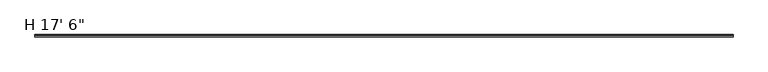
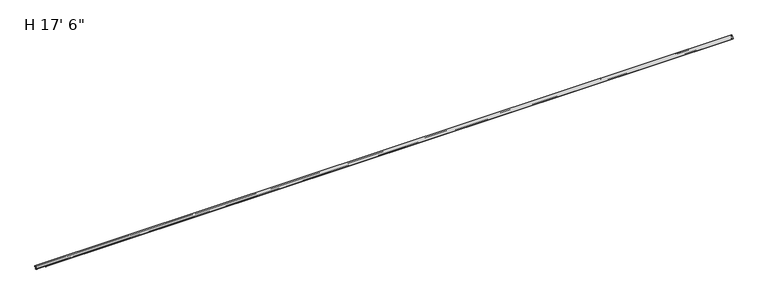
"""IFC4 building model written with IfcOpenShell, lengths in millimetres: proxy geometry."""

from ifc_helpers import new_model, si_unit, frame, origin, place, context, project, spatial, polyline, circle_curve, source, transform, mapped, element, save
from ifc_brep_helpers import plane_surface, cylinder_surface, revolved_surface, advanced_brep


def proxy_0ea76a47(model_context):
    return source(origin(), model_context, "Body", "AdvancedBrep", [
        advanced_brep(
        [(5334.0, -6.1091347, 0.0), (5334.0, -5.5808077, 0.6581076), (5334.0, -5.9684988, 1.3575208), (5334.0, -5.6321023, 2.0789255), (5334.0, -5.9631778, 2.7889192), (5334.0, -5.6042879, 3.5585611), (5334.0, -5.934397, 4.2664822), (5334.0, -5.5944321, 4.9955392), (5334.0, -5.9294957, 5.7140853), (5334.0, -5.5991801, 6.4224493), (5334.0, -6.0051261, 7.0980568), (5334.0, -5.5986989, 7.8345551), (5334.0, -5.9337229, 8.5870312), (5334.0, -5.5657997, 9.2789941), (5334.0, -5.8977295, 9.99082), (5334.0, -5.8977295, 11.6146251), (5334.0, -9.839437, 13.1679138), (5334.0, -15.5679403, 13.1679138), (5334.0, -17.1246029, 15.066794), (5334.0, -7.4661878, 27.7784225), (5334.0, -5.8563298, 26.7830356), (5334.0, -5.8563298, 25.172294), (5334.0, -5.0436174, 24.3595817), (5334.0, -4.2974045, 24.8820856), (5334.0, -4.5167099, 25.7005446), (5334.0, -4.2880317, 26.4591036), (5334.0, -4.4923475, 27.2216207), (5334.0, -4.1978841, 28.1090541), (5334.0, -4.3677301, 28.8744451), (5334.0, -1.6524001, 28.7826392), (5334.0, -1.8415, 27.7102004), (5334.0, -1.5875, 26.7622595), (5334.0, -1.8599178, 25.8586097), (5334.0, -1.5946294, 24.3595817), (5334.0, -0.79502, 24.2755393), (5334.0, 0.0, 25.0705593), (5334.0, -0.254, 26.5058012), (5334.0, 0.0, 27.3483563), (5334.0, -0.254, 28.2962972), (5334.0, 0.0, 29.1388523), (5334.0, 0.0, 31.2551692), (5334.0, -19.05, 11.5804138), (5334.0, -15.6652194, 11.5804138), (5334.0, -12.4902194, 11.5804138), (5334.0, -11.1161473, 11.5804138), (5334.0, -9.525, 9.9931404), (5334.0, -7.9721145, 9.9931404), (5334.0, -8.1699585, 9.0623577), (5334.0, -7.9490433, 8.2919351), (5334.0, -8.1398857, 7.5265082), (5334.0, -7.972318, 6.7214745), (5334.0, -8.1655958, 5.9462793), (5334.0, -7.9834986, 5.0714427), (5334.0, -8.1776372, 4.2927955), (5334.0, -7.9880038, 3.3817532), (5334.0, -8.1786509, 2.4848291), (5334.0, -7.9862027, 1.6851507), (5334.0, -8.1553262, 0.8894873), (5334.0, -7.8893268, 0.0060645), (0.0, -5.8977295, 9.9931404), (0.0, -9.525, 9.9931404), (0.0, -11.1161473, 11.5804138), (0.0, -12.4902194, 11.5804138), (0.0, -15.6652194, 11.5804138), (0.0, -19.05, 11.5804138), (0.0, 0.0, 31.2551692), (0.0, 0.0, 29.1388523), (0.0, -0.254, 28.2962972), (0.0, 0.0, 27.3483563), (0.0, -0.254, 26.5058012), (0.0, 0.0, 25.0705593), (0.0, -0.79502, 24.2755393), (0.0, -1.5946294, 24.3595817), (0.0, -1.8599178, 25.8586097), (0.0, -1.5875, 26.7622595), (0.0, -1.8415, 27.7102004), (0.0, -1.6524001, 28.7826392), (0.0, -4.3677301, 28.8744451), (0.0, -4.1978841, 28.1090541), (0.0, -4.4923475, 27.2216207), (0.0, -4.2880317, 26.4591036), (0.0, -4.5167099, 25.7005446), (0.0, -4.2974045, 24.8820856), (0.0, -5.0436174, 24.3595817), (0.0, -5.8563298, 25.172294), (0.0, -5.8563298, 26.7830356), (0.0, -7.4661878, 27.7784225), (0.0, -17.1246029, 15.066794), (0.0, -15.5679403, 13.1679138), (0.0, -9.839437, 13.1679138), (0.0, -5.8977295, 11.6146251), (76.1871679, -5.934397, 4.2664822), (76.1871679, -5.5944321, 4.9955392), (76.1871679, -5.9294957, 5.7140853), (76.1871679, -5.5991801, 6.4224493), (76.1871679, -6.0051261, 7.0980568), (76.1871679, -5.9337229, 8.5870312), (76.1871679, -5.5657997, 9.2789941), (76.1871679, -5.8977295, 9.99082), (76.1871679, -7.9721145, 9.9931404), (76.1871679, -8.1699585, 9.0623577), (76.1871679, -7.8893268, 0.0060645), (76.1871679, -6.1091347, 0.0), (76.1871679, -5.5808077, 0.6581076), (76.1871679, -5.9684988, 1.3575208), (76.1871679, -5.6321023, 2.0789255), (76.1871679, -5.9631778, 2.7889192), (76.1871679, -5.6042879, 3.5585611), (76.1871679, -5.5986989, 7.8345551), (76.1871679, -7.9490433, 8.2919351), (76.1871679, -8.1398857, 7.5265082), (76.1871679, -7.972318, 6.7214745), (76.1871679, -8.1655958, 5.9462793), (76.1871679, -7.9834986, 5.0714427), (76.1871679, -8.1776372, 4.2927955), (76.1871679, -7.9880038, 3.3817532), (76.1871679, -8.1786509, 2.4848291), (76.1871679, -7.9862027, 1.6851507), (76.1871679, -8.1553262, 0.8894873)],
        [
            (0, 1),
            (1, 2),
            (2, 3),
            (3, 4),
            (4, 5),
            (5, 6),
            (6, 7),
            (7, 8),
            (8, 9),
            (9, 10),
            (10, 11),
            (11, 12),
            (12, 13),
            (13, 14),
            (14, 15),
            (15, 16),
            (16, 17),
            (17, 18, circle_curve(frame((5334.0, -15.5679403, 14.7554138), z_axis=(-1.0, 0.0, 0.0), x_axis=(0.0, 1.0, 0.0)), 1.5875)),
            (18, 19, circle_curve(frame((5334.0, 0.6044452, 11.6211879), z_axis=(-1.0, 0.0, 0.0), x_axis=(0.0, 1.0, 0.0)), 18.0607682)),
            (19, 20, circle_curve(frame((5334.0, -6.9689863, 26.7830356), z_axis=(-1.0, 0.0, 0.0), x_axis=(0.0, 1.0, 0.0)), 1.1126565)),
            (20, 21),
            (21, 22, circle_curve(frame((5334.0, -5.0436174, 25.172294), z_axis=(1.0, 0.0, 0.0), x_axis=(0.0, 1.0, 0.0)), 0.8127124)),
            (22, 23),
            (23, 24),
            (24, 25),
            (25, 26),
            (26, 27),
            (27, 28),
            (28, 29, circle_curve(frame((5334.0, -3.1115, 25.8284159), z_axis=(-1.0, 0.0, 0.0), x_axis=(0.0, 1.0, 0.0)), 3.2949063)),
            (29, 30),
            (30, 31),
            (31, 32),
            (32, 33),
            (33, 34),
            (34, 35, circle_curve(frame((5334.0, -0.79502, 25.0705593), z_axis=(1.0, 0.0, 0.0), x_axis=(0.0, 1.0, 0.0)), 0.79502)),
            (35, 36),
            (36, 37),
            (37, 38),
            (38, 39),
            (39, 40),
            (40, 41, circle_curve(frame((5334.0, 0.635, 11.5804138), z_axis=(1.0, 0.0, 0.0), x_axis=(0.0, 1.0, 0.0)), 19.685)),
            (41, 42),
            (42, 43, circle_curve(frame((5334.0, -14.0777194, 11.5804138), z_axis=(1.0, 0.0, 0.0), x_axis=(0.0, 1.0, 0.0)), 1.5875)),
            (43, 44),
            (44, 45, circle_curve(frame((5334.0, -11.1161473, 9.9892618), z_axis=(-1.0, 0.0, 0.0), x_axis=(0.0, 1.0, 0.0)), 1.591152)),
            (45, 46),
            (46, 47),
            (47, 48),
            (48, 49),
            (49, 50),
            (50, 51),
            (51, 52),
            (52, 53),
            (53, 54),
            (54, 55),
            (55, 56),
            (56, 57),
            (57, 58),
            (58, 0, circle_curve(frame((5334.0, -7.0030343, -1.113481), z_axis=(-1.0, 0.0, 0.0), x_axis=(0.0, 1.0, 0.0)), 1.4278993)),
            (59, 60),
            (60, 61, circle_curve(frame((0.0, -11.1161473, 9.9892618), z_axis=(1.0, 0.0, 0.0), x_axis=(0.0, 1.0, 0.0)), 1.591152)),
            (61, 62),
            (62, 63, circle_curve(frame((0.0, -14.0777194, 11.5804138), z_axis=(-1.0, 0.0, 0.0), x_axis=(0.0, 1.0, 0.0)), 1.5875)),
            (63, 64),
            (64, 65, circle_curve(frame((0.0, 0.635, 11.5804138), z_axis=(-1.0, 0.0, 0.0), x_axis=(0.0, 1.0, 0.0)), 19.685)),
            (65, 66),
            (66, 67),
            (67, 68),
            (68, 69),
            (69, 70),
            (70, 71, circle_curve(frame((0.0, -0.79502, 25.0705593), z_axis=(-1.0, 0.0, 0.0), x_axis=(0.0, 1.0, 0.0)), 0.79502)),
            (71, 72),
            (72, 73),
            (73, 74),
            (74, 75),
            (75, 76),
            (76, 77, circle_curve(frame((0.0, -3.1115, 25.8284159), z_axis=(1.0, 0.0, 0.0), x_axis=(0.0, 1.0, 0.0)), 3.2949063)),
            (77, 78),
            (78, 79),
            (79, 80),
            (80, 81),
            (81, 82),
            (82, 83),
            (83, 84, circle_curve(frame((0.0, -5.0436174, 25.172294), z_axis=(-1.0, 0.0, 0.0), x_axis=(0.0, 1.0, 0.0)), 0.8127124)),
            (84, 85),
            (85, 86, circle_curve(frame((0.0, -6.9689863, 26.7830356), z_axis=(1.0, 0.0, 0.0), x_axis=(0.0, 1.0, 0.0)), 1.1126565)),
            (86, 87, circle_curve(frame((0.0, 0.6044452, 11.6211879), z_axis=(1.0, 0.0, 0.0), x_axis=(0.0, 1.0, 0.0)), 18.0607682)),
            (87, 88, circle_curve(frame((0.0, -15.5679403, 14.7554138), z_axis=(1.0, 0.0, 0.0), x_axis=(0.0, 1.0, 0.0)), 1.5875)),
            (88, 89),
            (89, 90),
            (90, 59),
            (6, 91),
            (91, 92),
            (92, 7),
            (92, 93),
            (93, 8),
            (93, 94),
            (94, 9),
            (94, 95),
            (95, 10),
            (12, 96),
            (96, 97),
            (97, 13),
            (97, 98),
            (98, 14),
            (98, 59),
            (90, 15),
            (89, 16),
            (88, 17),
            (87, 18),
            (86, 19),
            (20, 85),
            (84, 21),
            (23, 82),
            (81, 24),
            (80, 25),
            (79, 26),
            (78, 27),
            (77, 28),
            (76, 29),
            (75, 30),
            (74, 31),
            (73, 32),
            (72, 33),
            (71, 34),
            (70, 35),
            (69, 36),
            (68, 37),
            (67, 38),
            (66, 39),
            (40, 65),
            (64, 41),
            (63, 42),
            (62, 43),
            (61, 44),
            (60, 45),
            (98, 99),
            (99, 46),
            (99, 100),
            (100, 47),
            (58, 101),
            (101, 102, circle_curve(frame((76.1871679, -7.0030343, -1.113481), z_axis=(-1.0, 0.0, 0.0), x_axis=(0.0, 1.0, 0.0)), 1.4278993)),
            (102, 0),
            (102, 103),
            (103, 1),
            (103, 104),
            (104, 2),
            (104, 105),
            (105, 3),
            (105, 106),
            (106, 4),
            (106, 107),
            (107, 5),
            (107, 91),
            (95, 108),
            (108, 11),
            (108, 96),
            (83, 22),
            (100, 109),
            (109, 48),
            (109, 110),
            (110, 49),
            (110, 111),
            (111, 50),
            (111, 112),
            (112, 51),
            (112, 113),
            (113, 52),
            (113, 114),
            (114, 53),
            (114, 115),
            (115, 54),
            (115, 116),
            (116, 55),
            (116, 117),
            (117, 56),
            (117, 118),
            (118, 57),
            (118, 101),
        ],
        [
            plane_surface(frame((5334.0, -5.5808077, 0.6581076), z_axis=(1.0000000000000002, 0.0, 0.0), x_axis=(0.0, 0.6260242498799778, 0.7798035897341146))),
            plane_surface(frame((0.0, -5.5808077, 0.6581076), z_axis=(-1.0000000000000002, 0.0, 0.0), x_axis=(0.0, -0.6260242498799778, -0.7798035897341146))),
            plane_surface(frame((5334.0, -5.934397, 4.2664822), z_axis=(0.0, 0.9063077870366465, -0.42261826174070694), x_axis=(-1.0, 0.0, 0.0))),
            plane_surface(frame((5334.0, -5.5944321, 4.9955392), z_axis=(0.0, 0.9063077870366515, 0.4226182617406963), x_axis=(-1.0, 0.0, 0.0))),
            plane_surface(frame((5334.0, -5.9294957, 5.7140853), z_axis=(0.0, 0.9063077870366508, -0.4226182617406977), x_axis=(-1.0, 0.0, 0.0))),
            plane_surface(frame((5334.0, -5.5991801, 6.4224493), z_axis=(0.0, 0.8571673007021131, 0.5150380749100528), x_axis=(-1.0, 0.0, 0.0))),
            plane_surface(frame((5334.0, -5.9337229, 8.5870312), z_axis=(0.0, 0.8829475928589267, -0.46947156278589147), x_axis=(-1.0, 0.0, 0.0))),
            plane_surface(frame((5334.0, -5.5657997, 9.2789941), z_axis=(0.0, 0.9063077870366529, 0.4226182617406933), x_axis=(-1.0, 0.0, 0.0))),
            plane_surface(frame((5334.0, -5.8977295, 9.99082), z_axis=(0.0, 1.0, 0.0), x_axis=(-1.0, 0.0, 0.0))),
            plane_surface(frame((5334.0, -5.8977295, 11.6146251), z_axis=(0.0, 0.36662562361540696, 0.9303685571366941), x_axis=(-1.0, 0.0, 0.0))),
            plane_surface(frame((5334.0, -9.839437, 13.1679138), z_axis=(0.0, 0.0, 1.0), x_axis=(-1.0, 0.0, 0.0))),
            revolved_surface(polyline([(0.0, -13.9804403, 14.7554138), (5334.0, -13.9804403, 14.7554138)]), (0.0, -15.5679403, 14.7554138), (-1.0, 0.0, 0.0)),
            revolved_surface(polyline([(0.0, 18.6652134, 11.6211879), (5334.0, 18.6652134, 11.6211879)]), (0.0, 0.6044452, 11.6211879), (-1.0, 0.0, 0.0)),
            plane_surface(frame((5334.0, -5.8563298, 26.7830356), z_axis=(0.0, -1.0, 0.0), x_axis=(-1.0, 0.0, 0.0))),
            plane_surface(frame((5334.0, -4.2974045, 24.8820856), z_axis=(0.0, 0.9659258262890702, 0.2588190451025134), x_axis=(-1.0, 0.0, 0.0))),
            plane_surface(frame((5334.0, -4.5167099, 25.7005446), z_axis=(0.0, 0.9574396445559225, -0.2886335514673039), x_axis=(-1.0, 0.0, 0.0))),
            plane_surface(frame((5334.0, -4.2880317, 26.4591036), z_axis=(0.0, 0.9659258262890718, 0.2588190451025078), x_axis=(-1.0, 0.0, 0.0))),
            plane_surface(frame((5334.0, -4.4923475, 27.2216207), z_axis=(0.0, 0.9491148332111741, -0.3149302039794297), x_axis=(-1.0, 0.0, 0.0))),
            plane_surface(frame((5334.0, -4.1978841, 28.1090541), z_axis=(0.0, 0.9762520959875624, 0.21663758925886215), x_axis=(-1.0, 0.0, 0.0))),
            revolved_surface(polyline([(0.0, 0.18340630000000013, 25.8284159), (5334.0, 0.18340630000000013, 25.8284159)]), (0.0, -3.1115, 25.8284159), (-1.0, 0.0, 0.0)),
            plane_surface(frame((5334.0, -1.6524001, 28.7826392), z_axis=(0.0, -0.984807753012206, 0.17364817766694204), x_axis=(-1.0, 0.0, 0.0))),
            plane_surface(frame((5334.0, -1.8415, 27.7102004), z_axis=(0.0, -0.9659258262890714, -0.25881904510250936), x_axis=(-1.0, 0.0, 0.0))),
            plane_surface(frame((5334.0, -1.5875, 26.7622595), z_axis=(0.0, -0.9574396445559225, 0.2886335514673043), x_axis=(-1.0, 0.0, 0.0))),
            plane_surface(frame((5334.0, -1.8599178, 25.8586097), z_axis=(0.0, -0.9846986628832953, -0.1742657261651023), x_axis=(-1.0, 0.0, 0.0))),
            plane_surface(frame((5334.0, -1.5946294, 24.3595817), z_axis=(0.0, -0.10452846326766971, -0.9945218953682717), x_axis=(-1.0, 0.0, 0.0))),
            cylinder_surface(frame((0.0, -0.79502, 25.0705593), z_axis=(1.0, 0.0, 0.0), x_axis=(0.0, 1.0, 0.0)), 0.79502),
            plane_surface(frame((5334.0, 0.0, 25.0705593), z_axis=(0.0, 0.9846986628832959, 0.17426572616509906), x_axis=(-1.0, 0.0, 0.0))),
            plane_surface(frame((5334.0, -0.254, 26.5058012), z_axis=(0.0, 0.9574396445559225, -0.2886335514673044), x_axis=(-1.0, 0.0, 0.0))),
            plane_surface(frame((5334.0, 0.0, 27.3483563), z_axis=(0.0, 0.9659258262890709, 0.2588190451025113), x_axis=(-1.0, 0.0, 0.0))),
            plane_surface(frame((5334.0, -0.254, 28.2962972), z_axis=(0.0, 0.9574396445559225, -0.28863355146730413), x_axis=(-1.0, 0.0, 0.0))),
            cylinder_surface(frame((0.0, 0.635, 11.5804138), z_axis=(1.0, 0.0, 0.0), x_axis=(0.0, 1.0, 0.0)), 19.685),
            plane_surface(frame((5334.0, -19.05, 11.5804138), z_axis=(0.0, 0.0, -1.0), x_axis=(-1.0, 0.0, 0.0))),
            cylinder_surface(frame((0.0, -14.0777194, 11.5804138), z_axis=(1.0, 0.0, 0.0), x_axis=(0.0, 1.0, 0.0)), 1.5875),
            plane_surface(frame((5334.0, -12.4902194, 11.5804138), z_axis=(0.0, 0.0, -1.0), x_axis=(-1.0, 0.0, 0.0))),
            revolved_surface(polyline([(0.0, -9.5249953, 9.9892618), (5334.0, -9.5249953, 9.9892618)]), (0.0, -11.1161473, 9.9892618), (-1.0, 0.0, 0.0)),
            plane_surface(frame((5334.0, -9.525, 9.9931404), z_axis=(0.0, 0.0, -1.0), x_axis=(-1.0, 0.0, 0.0))),
            plane_surface(frame((5334.0, -7.9721145, 9.9931404), z_axis=(0.0, -0.9781476007338079, 0.20791169081774855), x_axis=(-1.0, 0.0, 0.0))),
            revolved_surface(polyline([(76.1871679, -5.575135, -1.113481), (5334.0, -5.575135, -1.113481)]), (0.0, -7.0030343, -1.113481), (-1.0, 0.0, 0.0)),
            plane_surface(frame((5334.0, -6.1091347, 0.0), z_axis=(0.0, 0.7798035897341146, -0.6260242498799778), x_axis=(-1.0, 0.0, 0.0))),
            plane_surface(frame((5334.0, -5.5808077, 0.6581076), z_axis=(0.0, 0.8746197071393965, 0.48480962024633595), x_axis=(-1.0, 0.0, 0.0))),
            plane_surface(frame((5334.0, -5.9684988, 1.3575208), z_axis=(0.0, 0.9063077870366533, -0.42261826174069256), x_axis=(-1.0, 0.0, 0.0))),
            plane_surface(frame((5334.0, -5.6321023, 2.0789255), z_axis=(0.0, 0.906307787036651, 0.42261826174069705), x_axis=(-1.0, 0.0, 0.0))),
            plane_surface(frame((5334.0, -5.9631778, 2.7889192), z_axis=(0.0, 0.9063077870366465, -0.42261826174070694), x_axis=(-1.0, 0.0, 0.0))),
            plane_surface(frame((5334.0, -5.6042879, 3.5585611), z_axis=(0.0, 0.9063077870366536, 0.42261826174069156), x_axis=(-1.0, 0.0, 0.0))),
            plane_surface(frame((5334.0, -6.0051261, 7.0980568), z_axis=(0.0, 0.8755358100350447, -0.4831532317456631), x_axis=(-1.0, 0.0, 0.0))),
            plane_surface(frame((5334.0, -5.5986989, 7.8345551), z_axis=(0.0, 0.9135454576426015, 0.40673664307579893), x_axis=(-1.0, 0.0, 0.0))),
            revolved_surface(polyline([(0.0, -5.8563298, 26.7830356), (5334.0, -5.8563298, 26.7830356)]), (0.0, -6.9689863, 26.7830356), (-1.0, 0.0, 0.0)),
            cylinder_surface(frame((0.0, -5.0436174, 25.172294), z_axis=(1.0, 0.0, 0.0), x_axis=(0.0, 1.0, 0.0)), 0.8127124),
            plane_surface(frame((5334.0, -5.0436174, 24.3595817), z_axis=(0.0, 0.573576436351044, -0.8191520442889934), x_axis=(-1.0, 0.0, 0.0))),
            plane_surface(frame((5334.0, 0.0, 29.1388523), z_axis=(0.0, 1.0, 0.0), x_axis=(-1.0, 0.0, 0.0))),
            plane_surface(frame((5334.0, -8.1699585, 9.0623577), z_axis=(0.0, -0.9612616959383202, -0.27563735581699483), x_axis=(-1.0, 0.0, 0.0))),
            plane_surface(frame((5334.0, -7.9490433, 8.2919351), z_axis=(0.0, -0.9702957262759958, 0.24192189559967106), x_axis=(-1.0, 0.0, 0.0))),
            plane_surface(frame((5334.0, -8.1398857, 7.5265082), z_axis=(0.0, -0.9790162504721784, -0.2037821908592526), x_axis=(-1.0, 0.0, 0.0))),
            plane_surface(frame((5334.0, -7.972318, 6.7214745), z_axis=(0.0, -0.9702957262759957, 0.24192189559967095), x_axis=(-1.0, 0.0, 0.0))),
            plane_surface(frame((5334.0, -8.1655958, 5.9462793), z_axis=(0.0, -0.9790162504721783, -0.20378219085925287), x_axis=(-1.0, 0.0, 0.0))),
            plane_surface(frame((5334.0, -7.9834986, 5.0714427), z_axis=(0.0, -0.9702957262759968, 0.24192189559966676), x_axis=(-1.0, 0.0, 0.0))),
            plane_surface(frame((5334.0, -8.1776372, 4.2927955), z_axis=(0.0, -0.9790162504721783, -0.20378219085925325), x_axis=(-1.0, 0.0, 0.0))),
            plane_surface(frame((5334.0, -7.9880038, 3.3817532), z_axis=(0.0, -0.9781476007338066, 0.20791169081775507), x_axis=(-1.0, 0.0, 0.0))),
            plane_surface(frame((5334.0, -8.1786509, 2.4848291), z_axis=(0.0, -0.9722421717392615, -0.23397683537419764), x_axis=(-1.0, 0.0, 0.0))),
            plane_surface(frame((5334.0, -7.9862027, 1.6851507), z_axis=(0.0, -0.9781476007338069, 0.20791169081775343), x_axis=(-1.0, 0.0, 0.0))),
            plane_surface(frame((5334.0, -8.1553262, 0.8894873), z_axis=(0.0, -0.9575356612942284, -0.288314858010864), x_axis=(-1.0, 0.0, 0.0))),
            plane_surface(frame((76.1871679, -9.525, 9.9931404), z_axis=(-1.0, 0.0, 0.0), x_axis=(0.0, -1.0, 0.0))),
        ],
        [
            (0, [[1, 2, 3, 4, 5, 6, 7, 8, 9, 10, 11, 12, 13, 14, 15, 16, 17, 18, 19, 20, 21, 22, 23, 24, 25, 26, 27, 28, 29, 30, 31, 32, 33, 34, 35, 36, 37, 38, 39, 40, 41, 42, 43, 44, 45, 46, 47, 48, 49, 50, 51, 52, 53, 54, 55, 56, 57, 58, 59]]),
            (1, [[60, 61, 62, 63, 64, 65, 66, 67, 68, 69, 70, 71, 72, 73, 74, 75, 76, 77, 78, 79, 80, 81, 82, 83, 84, 85, 86, 87, 88, 89, 90, 91]]),
            (2, [[-7, 92, 93, 94]]),
            (3, [[-8, -94, 95, 96]]),
            (4, [[-9, -96, 97, 98]]),
            (5, [[-10, -98, 99, 100]]),
            (6, [[-13, 101, 102, 103]]),
            (7, [[-14, -103, 104, 105]]),
            (8, [[-15, -105, 106, -91, 107]]),
            (9, [[-16, -107, -90, 108]]),
            (10, [[-17, -108, -89, 109]]),
            (11, [[-18, -109, -88, 110]]),
            (12, [[-19, -110, -87, 111]]),
            (13, [[-21, 112, -85, 113]]),
            (14, [[-24, 114, -82, 115]]),
            (15, [[-25, -115, -81, 116]]),
            (16, [[-26, -116, -80, 117]]),
            (17, [[-27, -117, -79, 118]]),
            (18, [[-28, -118, -78, 119]]),
            (19, [[-29, -119, -77, 120]]),
            (20, [[-30, -120, -76, 121]]),
            (21, [[-31, -121, -75, 122]]),
            (22, [[-32, -122, -74, 123]]),
            (23, [[-33, -123, -73, 124]]),
            (24, [[-34, -124, -72, 125]]),
            (25, [[-35, -125, -71, 126]]),
            (26, [[-36, -126, -70, 127]]),
            (27, [[-37, -127, -69, 128]]),
            (28, [[-38, -128, -68, 129]]),
            (29, [[-39, -129, -67, 130]]),
            (30, [[-41, 131, -65, 132]]),
            (31, [[-42, -132, -64, 133]]),
            (32, [[-43, -133, -63, 134]]),
            (33, [[-44, -134, -62, 135]]),
            (34, [[136, -45, -135, -61]]),
            (35, [[-46, -136, -60, -106, 137, 138]]),
            (36, [[-47, -138, 139, 140]]),
            (37, [[-59, 141, 142, 143]]),
            (38, [[-1, -143, 144, 145]]),
            (39, [[-2, -145, 146, 147]]),
            (40, [[-3, -147, 148, 149]]),
            (41, [[-4, -149, 150, 151]]),
            (42, [[-5, -151, 152, 153]]),
            (43, [[-6, -153, 154, -92]]),
            (44, [[-11, -100, 155, 156]]),
            (45, [[-12, -156, 157, -101]]),
            (46, [[-20, -111, -86, -112]]),
            (47, [[-22, -113, -84, 158]]),
            (48, [[-23, -158, -83, -114]]),
            (49, [[-40, -130, -66, -131]]),
            (50, [[-48, -140, 159, 160]]),
            (51, [[-49, -160, 161, 162]]),
            (52, [[-50, -162, 163, 164]]),
            (53, [[-51, -164, 165, 166]]),
            (54, [[-52, -166, 167, 168]]),
            (55, [[-53, -168, 169, 170]]),
            (56, [[-54, -170, 171, 172]]),
            (57, [[-55, -172, 173, 174]]),
            (58, [[-56, -174, 175, 176]]),
            (59, [[-57, -176, 177, 178]]),
            (60, [[-58, -178, 179, -141]]),
            (61, [[-137, -104, -102, -157, -155, -99, -97, -95, -93, -154, -152, -150, -148, -146, -144, -142, -179, -177, -175, -173, -171, -169, -167, -165, -163, -161, -159, -139]]),
        ],
    ),
    ])


if __name__ == "__main__":
    model = new_model("IFC4")
    model_context = context("Model", 3, world=origin())
    ifc_project = project(units=[si_unit("LENGTHUNIT", "METRE", prefix="MILLI")], contexts=[model_context])
    site = spatial("IfcSite", under=ifc_project)
    building = spatial("IfcBuilding", under=site)
    placement = place(None, origin())
    proxy_shape = proxy_0ea76a47(model_context)
    element("IfcBuildingElementProxy", 1, Name="H 17' 6\"", ObjectType="H 17' 6\"", at=placement, inside=building, context=model_context, shape_type="MappedRepresentation", body=[
        mapped(proxy_shape, transform((0.0, 0.0, 0.0), x_axis=(1.0, 0.0, 0.0), y_axis=(0.0, 1.0, 0.0), z_axis=(0.0, 0.0, 1.0))),
    ])
    save(model, "model.ifc")
